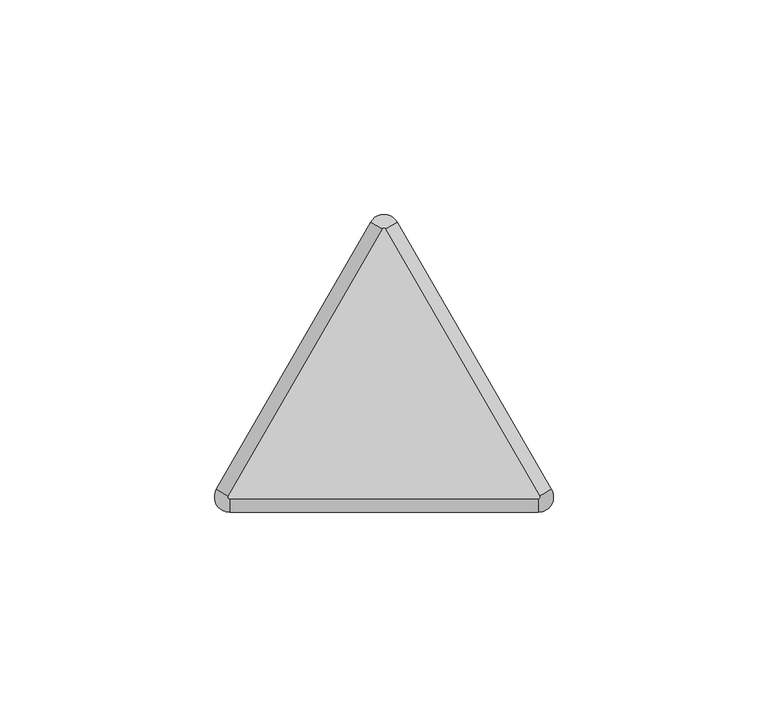
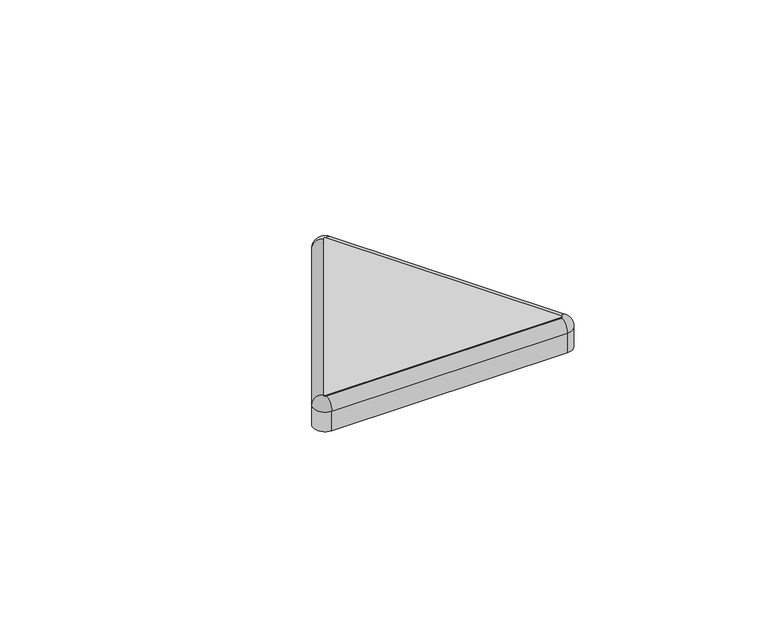
"""IFC4 building model written with IfcOpenShell, lengths in millimetres: furniture geometry."""

from ifc_helpers import new_model, si_unit, point, frame, frame_2d, origin, place, context, project, spatial, polyline, circle_curve, ellipse_curve, trimmed, segment, composite_curve, outline, extrude, source, transform, mapped, element, save
from ifc_brep_helpers import plane_surface, cylinder_surface, revolved_surface, advanced_brep


def furniture_5ff3e439(model_context):
    return source(origin(), model_context, "Body", "SolidModel", [
        extrude(outline(composite_curve([segment(trimmed(circle_curve(frame_2d((-413.3120222, 38.8238992)), 0.3810002), [point((-412.9820663, 39.0143993))], [point((-413.3120222, 38.4428991))], False, "CARTESIAN"), True, "CONTINUOUS"), segment(polyline([(-413.3120222, 38.4428991), (-485.2194238, 38.4428991)]), True, "CONTINUOUS"), segment(trimmed(circle_curve(frame_2d((-485.2194238, 38.8238993)), 0.3810002), [point((-485.2194238, 38.4428991))], [point((-485.5493797, 39.0143994))], False, "CARTESIAN"), True, "CONTINUOUS"), segment(polyline([(-485.5493797, 39.0143994), (-449.5956804, 101.288034)]), True, "CONTINUOUS"), segment(trimmed(circle_curve(frame_2d((-449.265724, 101.0975335)), 0.3810009), [point((-449.5956804, 101.288034))], [point((-448.9357675, 101.288034))], False, "CARTESIAN"), True, "CONTINUOUS"), segment(polyline([(-448.9357675, 101.288034), (-412.9820663, 39.0143993)]), True, "CONTINUOUS")], self_intersect=False)), frame((0.0, 0.0, 1156.9824684), z_axis=(0.0, 0.0, 1.0), x_axis=(1.0, 0.0, 0.0)), (0.0, 0.0, 1.0), 3.1749998),
        advanced_brep(
        [(-449.5956804, 101.288034, 1160.1574682), (-448.9357675, 101.288034, 1160.1574682), (-446.1861371, 102.875534, 1156.9824684), (-452.3453109, 102.8755339, 1156.9824684), (-488.2990102, 40.6018993, 1156.9824684), (-485.5493797, 39.0143994, 1160.1574682), (-485.2194238, 35.2678992, 1156.9824684), (-485.2194238, 38.4428991, 1160.1574682), (-413.3120222, 35.2678992, 1156.9824684), (-413.3120222, 38.4428991, 1160.1574682), (-410.2324359, 40.6018993, 1156.9824684), (-412.9820663, 39.0143993, 1160.1574682), (-449.5956804, 101.288034, 1156.9824684), (-448.9357675, 101.288034, 1156.9824684), (-485.5493797, 39.0143994, 1156.9824684), (-485.2194238, 38.4428991, 1156.9824684), (-413.3120222, 38.4428991, 1156.9824684), (-412.9820663, 39.0143993, 1156.9824684), (-413.3120222, 35.2678992, 1150.6324682), (-485.2194238, 35.2678992, 1150.6324682), (-488.2990102, 40.6018993, 1150.6324682), (-452.3453109, 102.8755339, 1150.6324682), (-446.1861371, 102.875534, 1150.6324682), (-410.2324359, 40.6018993, 1150.6324682)],
        [
            (0, 1, circle_curve(frame((-449.265724, 101.0975335, 1160.1574682), z_axis=(0.0, 0.0, -1.0), x_axis=(0.8660253951744704, 0.5000000149129022, 0.0)), 0.3810009)),
            (1, 2, circle_curve(frame((-448.9357675, 101.288034, 1156.9824684), z_axis=(-0.5000000149129022, 0.8660253951744704, 0.0), x_axis=(-0.8660253951744704, -0.5000000149129022, 0.0)), 3.1749998)),
            (2, 3, circle_curve(frame((-449.265724, 101.0975335, 1156.9824684), z_axis=(0.0, 0.0, 1.0), x_axis=(0.8660253951744704, 0.5000000149129022, 0.0)), 3.5560007)),
            (3, 0, circle_curve(frame((-449.5956804, 101.288034, 1156.9824684), z_axis=(0.4999999949278272, 0.866025406712859, 0.0), x_axis=(0.866025406712859, -0.4999999949278272, 0.0)), 3.1749998)),
            (3, 4),
            (4, 5, circle_curve(frame((-485.5493797, 39.0143994, 1156.9824684), z_axis=(0.49999999492779496, 0.8660254067128778, 0.0), x_axis=(0.8660254067128778, -0.49999999492779496, 0.0)), 3.1749998)),
            (5, 0),
            (4, 6, circle_curve(frame((-485.2194238, 38.8238993, 1156.9824684), z_axis=(0.0, 0.0, 1.0), x_axis=(-0.8660254067128772, 0.4999999949277956, 0.0)), 3.556)),
            (6, 7, circle_curve(frame((-485.2194238, 38.4428991, 1156.9824684), z_axis=(-1.0, 0.0, 0.0), x_axis=(0.0, 1.0, 0.0)), 3.1749998)),
            (7, 5, circle_curve(frame((-485.2194238, 38.8238993, 1160.1574682), z_axis=(0.0, 0.0, -1.0), x_axis=(-0.8660254067128772, 0.4999999949277956, 0.0)), 0.3810002)),
            (6, 8),
            (8, 9, circle_curve(frame((-413.3120222, 38.4428991, 1156.9824684), z_axis=(-1.0, 0.0, 0.0), x_axis=(0.0, 1.0, 0.0)), 3.1749998)),
            (9, 7),
            (8, 10, circle_curve(frame((-413.3120222, 38.8238992, 1156.9824684), z_axis=(0.0, 0.0, 1.0), x_axis=(0.0, -1.0, 0.0)), 3.556)),
            (10, 11, circle_curve(frame((-412.9820663, 39.0143993, 1156.9824684), z_axis=(0.5000000149128749, -0.8660253951744861, 0.0), x_axis=(-0.8660253951744861, -0.5000000149128749, 0.0)), 3.1749998)),
            (11, 9, circle_curve(frame((-413.3120222, 38.8238992, 1160.1574682), z_axis=(0.0, 0.0, -1.0), x_axis=(0.0, -1.0, 0.0)), 0.3810002)),
            (1, 11),
            (10, 2),
            (0, 12),
            (12, 13, circle_curve(frame((-449.265724, 101.0975335, 1156.9824684), z_axis=(0.0, 0.0, -1.0), x_axis=(0.8660253951744704, 0.5000000149129022, 0.0)), 0.3810009)),
            (13, 1),
            (5, 14),
            (14, 12),
            (7, 15),
            (15, 14, circle_curve(frame((-485.2194238, 38.8238993, 1156.9824684), z_axis=(0.0, 0.0, -1.0), x_axis=(-0.8660254067128772, 0.4999999949277956, 0.0)), 0.3810002)),
            (9, 16),
            (16, 15),
            (11, 17),
            (17, 16, circle_curve(frame((-413.3120222, 38.8238992, 1156.9824684), z_axis=(0.0, 0.0, -1.0), x_axis=(0.0, -1.0, 0.0)), 0.3810002)),
            (13, 17),
            (18, 19),
            (19, 20, circle_curve(frame((-485.2194238, 38.8238993, 1150.6324682), z_axis=(0.0, 0.0, -1.0), x_axis=(1.0, 0.0, 0.0)), 3.556)),
            (20, 21),
            (21, 22, circle_curve(frame((-449.265724, 101.0975335, 1150.6324682), z_axis=(0.0, 0.0, -1.0), x_axis=(1.0, 0.0, 0.0)), 3.5560007)),
            (22, 23),
            (23, 18, circle_curve(frame((-413.3120222, 38.8238992, 1150.6324682), z_axis=(0.0, 0.0, -1.0), x_axis=(1.0, 0.0, 0.0)), 3.556)),
            (18, 8),
            (6, 19),
            (4, 20),
            (3, 21),
            (2, 22),
            (10, 23),
        ],
        [
            revolved_surface(trimmed(ellipse_curve(frame((-448.9357675, 101.288034, 1156.9824684), z_axis=(0.5000000149129022, -0.8660253951744704, 0.0), x_axis=(-0.8660253951744704, -0.5000000149129022, 0.0)), 3.1749998, 3.1749998), [point((-446.1861371, 102.875534, 1156.9824684))], [point((-448.9357675, 101.288034, 1160.1574682))], True, "CARTESIAN"), (-449.265724, 101.0975335, 1160.1574682), (0.0, 0.0, 1.0)),
            cylinder_surface(frame((-449.5956804, 101.288034, 1156.9824684), z_axis=(0.49999999492779496, 0.8660254067128778, 0.0), x_axis=(0.8660254067128778, -0.49999999492779496, 0.0)), 3.1749998),
            revolved_surface(trimmed(ellipse_curve(frame((-485.5493797, 39.0143994, 1156.9824684), z_axis=(0.4999999949277957, 0.8660254067128772, 0.0), x_axis=(0.8660254067128772, -0.4999999949277957, 0.0)), 3.1749998, 3.1749998), [point((-488.2990102, 40.6018993, 1156.9824684))], [point((-485.5493797, 39.0143994, 1160.1574682))], True, "CARTESIAN"), (-485.2194238, 38.8238993, 1160.1574682), (0.0, 0.0, 1.0)),
            cylinder_surface(frame((-485.2194238, 38.4428991, 1156.9824684), z_axis=(-1.0, 0.0, 0.0), x_axis=(0.0, 1.0, 0.0)), 3.1749998),
            revolved_surface(trimmed(ellipse_curve(frame((-413.3120222, 38.4428991, 1156.9824684), z_axis=(-1.0, 0.0, 0.0), x_axis=(0.0, 1.0, 0.0)), 3.1749998, 3.1749998), [point((-413.3120222, 35.2678992, 1156.9824684))], [point((-413.3120222, 38.4428991, 1160.1574682))], True, "CARTESIAN"), (-413.3120222, 38.8238992, 1160.1574682), (0.0, 0.0, 1.0)),
            cylinder_surface(frame((-412.9820663, 39.0143993, 1156.9824684), z_axis=(0.5000000149129066, -0.8660253951744679, 0.0), x_axis=(-0.8660253951744679, -0.5000000149129066, 0.0)), 3.1749998),
            revolved_surface(polyline([(-448.93576754501566, 101.28803395568183, 1160.1574682), (-448.93576754501566, 101.28803395568183, 1156.9824684)]), (-449.265724, 101.0975335, 1160.1574682), (0.0, 0.0, 1.0)),
            plane_surface(frame((-449.5956804, 101.288034, 1160.1574682), z_axis=(0.8660254067128779, -0.4999999949277945, 0.0), x_axis=(-0.4999999949277945, -0.8660254067128779, 0.0))),
            revolved_surface(polyline([(-485.5493796531627, 39.01439939806749, 1160.1574682), (-485.5493796531627, 39.01439939806749, 1156.9824684)]), (-485.2194238, 38.8238993, 1160.1574682), (0.0, 0.0, 1.0)),
            plane_surface(frame((-485.2194238, 38.4428991, 1160.1574682), z_axis=(0.0, 1.0, 0.0), x_axis=(1.0, 0.0, 0.0))),
            revolved_surface(polyline([(-413.3120222, 38.442899, 1160.1574682), (-413.3120222, 38.442899, 1156.9824684)]), (-413.3120222, 38.8238992, 1160.1574682), (0.0, 0.0, 1.0)),
            plane_surface(frame((-412.9820663, 39.0143993, 1160.1574682), z_axis=(-0.8660253951744676, -0.5000000149129071, 0.0), x_axis=(-0.5000000149129071, 0.8660253951744676, 0.0))),
            plane_surface(frame((-449.2625002, 35.2678992, 1150.6324682), z_axis=(0.0, 0.0, -1.0), x_axis=(0.0, 1.0, 0.0))),
            plane_surface(frame((-449.2625002, 35.2678992, 1156.9824684), z_axis=(0.0, 0.0, 1.0), x_axis=(0.0, 1.0, 0.0))),
            plane_surface(frame((-413.3120222, 35.2678992, 1150.6324682), z_axis=(0.0, -1.0, 0.0), x_axis=(0.0, 0.0, 1.0))),
            cylinder_surface(frame((-485.2194238, 38.8238993, 1150.6324682), z_axis=(0.0, 0.0, -1.0), x_axis=(1.0, 0.0, 0.0)), 3.556),
            plane_surface(frame((-488.2990102, 40.6018993, 1150.6324682), z_axis=(-0.8660254067128774, 0.49999999492779534, 0.0), x_axis=(0.0, 0.0, 1.0))),
            cylinder_surface(frame((-449.265724, 101.0975335, 1150.6324682), z_axis=(0.0, 0.0, -1.0), x_axis=(1.0, 0.0, 0.0)), 3.5560007),
            plane_surface(frame((-446.1861371, 102.875534, 1150.6324682), z_axis=(0.866025395174468, 0.5000000149129065, 0.0), x_axis=(0.0, 0.0, 1.0))),
            cylinder_surface(frame((-413.3120222, 38.8238992, 1150.6324682), z_axis=(0.0, 0.0, -1.0), x_axis=(1.0, 0.0, 0.0)), 3.556),
        ],
        [
            (0, [[1, 2, 3, 4]]),
            (1, [[-4, 5, 6, 7]]),
            (2, [[-6, 8, 9, 10]]),
            (3, [[-9, 11, 12, 13]]),
            (4, [[-12, 14, 15, 16]]),
            (5, [[-2, 17, -15, 18]]),
            (6, [[-1, 19, 20, 21]]),
            (7, [[-7, 22, 23, -19]]),
            (8, [[-10, 24, 25, -22]]),
            (9, [[-13, 26, 27, -24]]),
            (10, [[-16, 28, 29, -26]]),
            (11, [[-17, -21, 30, -28]]),
            (12, [[31, 32, 33, 34, 35, 36]]),
            (13, [[-20, -23, -25, -27, -29, -30]]),
            (14, [[-31, 37, -11, 38]]),
            (15, [[-32, -38, -8, 39]]),
            (16, [[-33, -39, -5, 40]]),
            (17, [[-34, -40, -3, 41]]),
            (18, [[-35, -41, -18, 42]]),
            (19, [[-36, -42, -14, -37]]),
        ],
    ),
    ])


if __name__ == "__main__":
    model = new_model("IFC4")
    model_context = context("Model", 3, world=origin())
    ifc_project = project(units=[si_unit("LENGTHUNIT", "METRE", prefix="MILLI")], contexts=[model_context])
    site = spatial("IfcSite", under=ifc_project)
    building = spatial("IfcBuilding", under=site)
    placement = place(None, origin())
    furniture_shape = furniture_5ff3e439(model_context)
    element("IfcFurniture", 1, at=placement, inside=building, context=model_context, shape_type="MappedRepresentation", body=[
        mapped(furniture_shape, transform((0.0, 0.0, 0.0), x_axis=(1.0, 0.0, 0.0), y_axis=(0.0, 1.0, 0.0), z_axis=(0.0, 0.0, 1.0))),
    ])
    save(model, "model.ifc")
